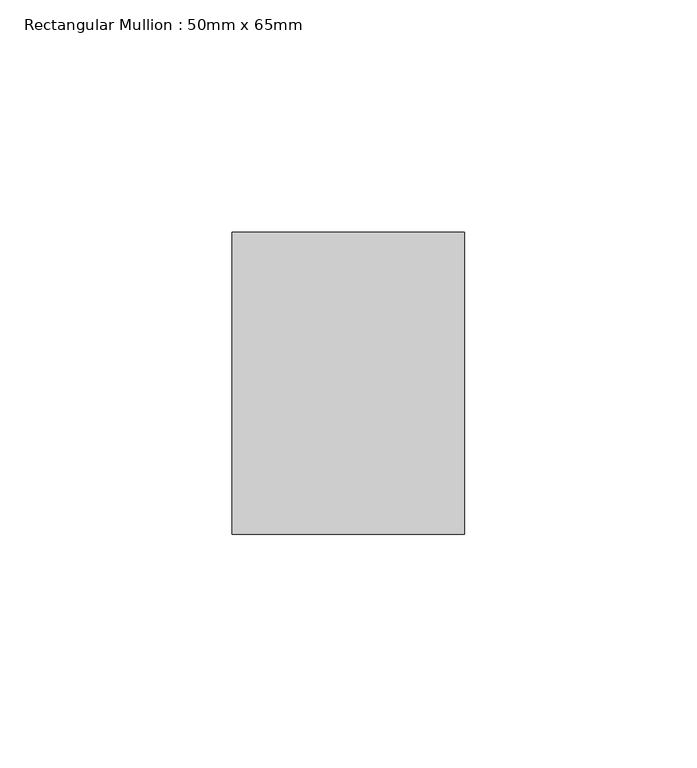
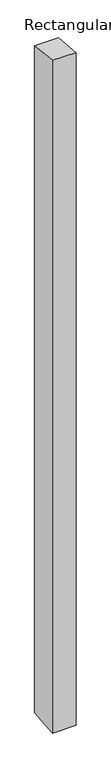
"""IFC4 building model written with IfcOpenShell, lengths in millimetres: member geometry, Rectangular Mullion : 50mm x 65mm."""

from ifc_helpers import new_model, si_unit, origin, place, context, project, spatial, faceted_brep, source, transform, mapped, element, save


def rectangular_mullion_50mm_x_65mm_3ab8155d(model_context):
    return source(origin(), model_context, "Body", "Brep", [
        faceted_brep([(-25.0, 32.5, -3.3716823), (25.0, 32.5, -3.371683), (25.0, 32.5, -1496.8525428), (-25.0, 32.5, -1496.8525434), (-25.0, -32.5, 3.371683), (-25.0, -32.5, -1503.1464178), (25.0, -32.5, 3.3716823), (25.0, -32.5, -1503.1464171)], [[[0, 1, 2, 3]], [[4, 0, 3, 5]], [[6, 4, 5, 7]], [[1, 6, 7, 2]], [[1, 0, 4, 6]], [[2, 7, 5, 3]]]),
    ])


if __name__ == "__main__":
    model = new_model("IFC4")
    model_context = context("Model", 3, world=origin())
    ifc_project = project(units=[si_unit("LENGTHUNIT", "METRE", prefix="MILLI")], contexts=[model_context])
    site = spatial("IfcSite", under=ifc_project)
    building = spatial("IfcBuilding", under=site)
    placement = place(None, origin())
    rectangular_mullion_50mm_x_65mm_shape = rectangular_mullion_50mm_x_65mm_3ab8155d(model_context)
    element("IfcMember", 1, ObjectType="Rectangular Mullion : 50mm x 65mm", at=placement, inside=building, context=model_context, shape_type="MappedRepresentation", body=[
        mapped(rectangular_mullion_50mm_x_65mm_shape, transform((0.0, 0.0, 0.0), x_axis=(1.0, 0.0, 0.0), y_axis=(0.0, 1.0, 0.0), z_axis=(0.0, 0.0, 1.0))),
    ])
    save(model, "model.ifc")
